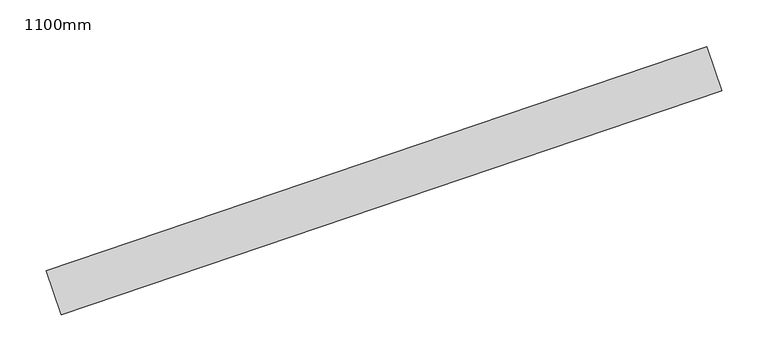
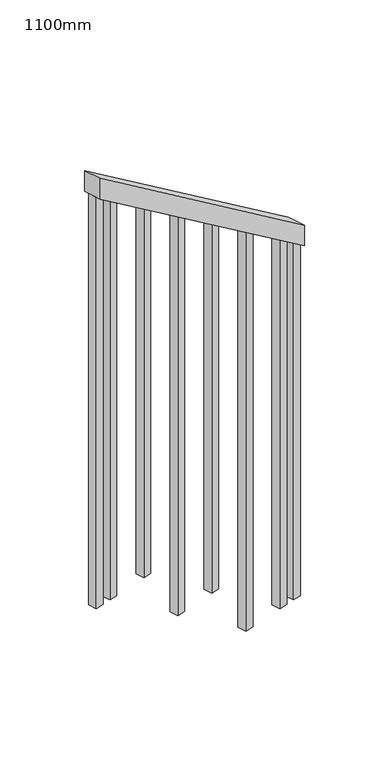
"""IFC4 building model written with IfcOpenShell, lengths in millimetres: railing geometry, 1100mm."""

from ifc_helpers import new_model, si_unit, frame, origin, place, context, project, spatial, polyline, outline, extrude, source, transform, mapped, element, save


def railing_1100mm_63b593b3(model_context):
    return source(origin(), model_context, "Body", "SweptSolid", [
        extrude(outline(polyline([(-35.5555555, -50.0), (0.0, 0.0), (920.2958461, 0.0), (884.7402906, -50.0), (-35.5555555, -50.0)])), frame((290128.3869861, 8377.4219616, 1277.7777778), z_axis=(-0.3220028085310255, 0.9467387133196423, 0.0), x_axis=(-0.771549755395198, -0.26241790333844683, 0.5795237863600284)), (0.0, 0.0, 1.0), 50.0),
        extrude(outline(polyline([(1271.980277, -25.0), (108.8888889, -25.0), (91.1111112, 0.0), (1271.980277, 0.0), (1271.980277, -25.0)])), frame((289461.6448517, 8163.8542295, 1805.3136103), z_axis=(-0.32200280853103236, 0.94673871331964, 0.0), x_axis=(0.0, 0.0, -1.0)), (0.0, 0.0, 1.0), 25.0),
        extrude(outline(polyline([(1183.0913881, -25.0000001), (108.8888889, -25.0000001), (91.1111111, 0.0), (1183.0913881, 0.0), (1183.0913881, -25.0000001)])), frame((289579.9871908, 8204.1045806, 1716.4247214), z_axis=(-0.32200280853103236, 0.94673871331964, 0.0), x_axis=(0.0, 0.0, -1.0)), (0.0, 0.0, 1.0), 25.0),
        extrude(outline(polyline([(1271.9802769, -25.0), (108.8888889, -25.0), (91.1111111, 0.0), (1271.9802769, 0.0), (1271.9802769, -25.0)])), frame((289698.32953, 8244.3549317, 1627.5358325), z_axis=(-0.32200280853103236, 0.94673871331964, 0.0), x_axis=(0.0, 0.0, -1.0)), (0.0, 0.0, 1.0), 25.0),
        extrude(outline(polyline([(1183.091388, -25.0), (108.8888889, -25.0), (91.1111111, 0.0), (1183.091388, 0.0), (1183.091388, -25.0)])), frame((289816.6718692, 8284.6052827, 1538.6469436), z_axis=(-0.32200280853103236, 0.94673871331964, 0.0), x_axis=(0.0, 0.0, -1.0)), (0.0, 0.0, 1.0), 25.0),
        extrude(outline(polyline([(1271.9802769, -25.0000001), (108.8888889, -25.0000001), (91.1111111, 0.0), (1271.9802769, 0.0), (1271.9802769, -25.0000001)])), frame((289935.0142083, 8324.8556338, 1449.7580547), z_axis=(-0.32200280853103236, 0.94673871331964, 0.0), x_axis=(0.0, 0.0, -1.0)), (0.0, 0.0, 1.0), 25.0),
        extrude(outline(polyline([(1183.091388, -25.0), (108.8888889, -25.0), (91.1111111, 0.0), (1183.091388, 0.0), (1183.091388, -25.0)])), frame((290053.3565475, 8365.1059849, 1360.8691658), z_axis=(-0.32200280853103236, 0.94673871331964, 0.0), x_axis=(0.0, 0.0, -1.0)), (0.0, 0.0, 1.0), 25.0),
        extrude(outline(polyline([(1307.5358325, -25.0), (108.8888889, -25.0), (91.1111111, 0.0), (1307.5358325, 0.0), (1307.5358325, -25.0)])), frame((289414.307916, 8147.7540891, 1840.8691658), z_axis=(-0.32200280853103236, 0.94673871331964, 0.0), x_axis=(0.0, 0.0, -1.0)), (0.0, 0.0, 1.0), 25.0),
        extrude(outline(polyline([(1147.5358325, -25.0), (108.8888889, -25.0), (91.1111112, 0.0), (1147.5358325, 0.0), (1147.5358325, -25.0)])), frame((290100.6934832, 8381.2061253, 1325.3136103), z_axis=(-0.32200280853103236, 0.94673871331964, 0.0), x_axis=(0.0, 0.0, -1.0)), (0.0, 0.0, 1.0), 25.0),
    ])


if __name__ == "__main__":
    model = new_model("IFC4")
    model_context = context("Model", 3, world=origin())
    ifc_project = project(units=[si_unit("LENGTHUNIT", "METRE", prefix="MILLI")], contexts=[model_context])
    site = spatial("IfcSite", under=ifc_project)
    building = spatial("IfcBuilding", under=site)
    placement = place(None, origin())
    railing_1100mm_shape = railing_1100mm_63b593b3(model_context)
    element("IfcRailing", 1, ObjectType="1100mm", at=placement, inside=building, context=model_context, shape_type="MappedRepresentation", body=[
        mapped(railing_1100mm_shape, transform((0.0, 0.0, 0.0), x_axis=(1.0, 0.0, 0.0), y_axis=(0.0, 1.0, 0.0), z_axis=(0.0, 0.0, 1.0))),
    ])
    save(model, "model.ifc")
